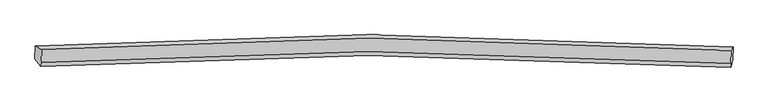
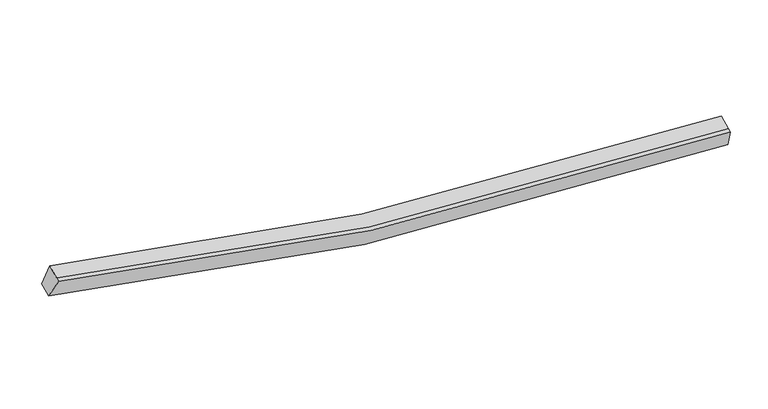
"""IFC4 building model written with IfcOpenShell, lengths in millimetres: proxy geometry."""

from ifc_helpers import new_model, si_unit, frame, origin, place, context, project, spatial, source, transform, mapped, element, save
from ifc_brep_helpers import plane_surface, spline_curve, spline_surface, advanced_brep


def generic_models_403fca40(model_context):
    return source(origin(), model_context, "Body", "AdvancedBrep", [
        advanced_brep(
        [(-11368.0628847, -1858.5916573, 4529.6370436), (-11152.3341766, -1968.107076, 5205.1269645), (12519.681994, -2000.8731521, 2513.21581), (12581.3445359, -1891.6543063, 1806.7541264), (-11172.7691882, -2416.186793, 5026.3962532), (12499.2469823, -2448.9528691, 2334.4850986), (-11178.905913, -2550.7471229, 4972.7226264), (12493.1102575, -2583.5131991, 2280.8114718), (-11387.9671373, -2295.033389, 4355.5485093), (12561.4402833, -2328.096038, 1632.6655921)],
        [
            (0, 1),
            (1, 2, spline_curve(3, [(-11152.3341766, -1968.107076, 5205.1269645), (-7441.636207221, -1714.518178611, 4162.596073873), (-3696.678649537, -1584.989361473, 3413.618031982), (4187.826534679, -1573.58004463, 2463.473548872), (8333.541034959, -1714.030887126, 2315.147874507), (12519.681994, -2000.8731521, 2513.21581)], [4, 2, 4], [0.0, 37.83051983541401, 78.92505735724643])),
            (2, 3),
            (3, 0, spline_curve(3, [(12581.3445359, -1891.6543063, 1806.7541264), (8345.317035631, -1601.127431121, 1605.152567512), (4150.623381335, -1458.88367289, 1754.583371975), (-3826.207135317, -1470.482701893, 2715.75939451), (-7614.649288758, -1601.705577904, 3473.956230231), (-11368.0628847, -1858.5916573, 4529.6370436)], [4, 2, 4], [0.0, 41.09453752183242, 78.92505735724643])),
            (1, 4),
            (4, 5, spline_curve(3, [(-11172.7691882, -2416.186793, 5026.3962532), (-7462.477632492, -2171.509376812, 3980.310737908), (-3717.731688116, -2046.620570827, 3229.481880754), (4166.738432573, -2035.980135262, 2279.030705569), (8312.664543507, -2171.790967262, 2132.555844954), (12499.2469823, -2448.9528691, 2334.4850986)], [4, 2, 4], [0.0, 37.60994275496007, 78.46487180330054])),
            (5, 2),
            (4, 6),
            (6, 7, spline_curve(3, [(-11178.905913, -2550.7471229, 4972.7226264), (-7468.614357802, -2306.069706868, 3926.637112172), (-3723.868412807, -2181.180900718, 3175.80825399), (4160.601707656, -2170.54046538, 2225.357078938), (8306.527818751, -2306.351296383, 2078.88221761), (12493.1102575, -2583.5131991, 2280.8114718)], [4, 2, 4], [0.0, 37.60993271049992, 78.46485084774409])),
            (7, 5),
            (6, 8),
            (8, 9, spline_curve(3, [(-11387.9671373, -2295.033389, 4355.5485093), (-7634.959956198, -2047.058789592, 3296.313071299), (-3846.729414084, -1920.475925575, 2536.265421546), (4130.066037556, -1909.645778627, 1574.782704509), (8324.971303211, -2047.249524971, 1427.202715877), (12561.4402833, -2328.096038, 1632.6655921)], [4, 2, 4], [0.0, 37.83048514371973, 78.92498498065808])),
            (9, 7),
            (8, 0),
            (3, 9),
        ],
        [
            spline_surface(3, 3, [[(-11368.0628847, -1858.5916573, 4529.6370436), (-7614.649288719, -1601.705577392, 3473.956230027), (-3826.2071356, -1470.482702184, 2715.759394968), (4150.623381643, -1458.883672574, 1754.583371478), (8345.317035399, -1601.127430823, 1605.152567462), (12581.3445359, -1891.6543063, 1806.7541264)], [(-11296.153315342, -1895.096796861, 4754.800350577), (-7556.978261373, -1639.309777977, 3703.502844823), (-3783.030973743, -1508.651588784, 2948.378940492), (4163.024432817, -1497.115796419, 1990.880097423), (8341.391702061, -1638.761916119, 1841.817669637), (12560.790355255, -1928.060588258, 2042.24135425)], [(-11224.243745958, -1931.601936439, 4979.963657523), (-7499.307234003, -1676.913978579, 3933.049459588), (-3739.854811863, -1546.820475367, 3180.998486035), (4175.425484014, -1535.347920247, 2227.176823386), (8337.466368757, -1676.396401342, 2078.482771861), (12540.236174645, -1964.466870142, 2277.72858215)], [(-11152.3341766, -1968.107076, 5205.1269645), (-7441.636206657, -1714.518179164, 4162.596074385), (-3696.678650006, -1584.989361967, 3413.618031559), (4187.826535189, -1573.580044093, 2463.473549331), (8333.541035419, -1714.030886639, 2315.147874036), (12519.681994, -2000.8731521, 2513.21581)]], [4, 4], [4, 2, 4], [0.0, 2.3540044560606046], [0.0, 37.83051983541401, 78.92505735724643]),
            spline_surface(3, 3, [[(-11152.3341766, -1968.107076, 5205.1269645), (-7441.636206657, -1714.518179164, 4162.596074385), (-3696.678650006, -1584.989361967, 3413.618031559), (4187.826535189, -1573.580044093, 2463.473549331), (8333.541035419, -1714.030886639, 2315.147874036), (12519.681994, -2000.8731521, 2513.21581)], [(-11159.145847149, -2117.466981657, 5145.55006072), (-7448.583348789, -1866.848578276, 4101.834295708), (-3703.696329205, -1738.866431538, 3352.239314644), (4180.797167501, -1727.713407873, 2401.992601397), (8326.582204798, -1866.617579959, 2254.28386434), (12512.870323451, -2150.233057757, 2453.63890622)], [(-11165.957517651, -2266.826887343, 5085.97315698), (-7455.530490873, -2019.178977415, 4041.072517072), (-3710.714008456, -1892.743501103, 3290.860597718), (4173.76779976, -1881.846771648, 2340.511653451), (8319.623374124, -2019.204273308, 2193.419854584), (12506.058652849, -2299.592963443, 2394.06200238)], [(-11172.7691882, -2416.186793, 5026.3962532), (-7462.477633004, -2171.509376527, 3980.310738396), (-3717.731687654, -2046.620570674, 3229.481880803), (4166.738432072, -2035.980135428, 2279.030705516), (8312.664543503, -2171.790966629, 2132.555844888), (12499.2469823, -2448.9528691, 2334.4850986)]], [4, 4], [4, 2, 4], [0.0, 1.6334285998449554], [0.0, 37.60994275496007, 78.46487180330054]),
            spline_surface(3, 3, [[(-11172.7691882, -2416.186793, 5026.3962532), (-7462.477633004, -2171.509376527, 3980.310738396), (-3717.731687654, -2046.620570674, 3229.481880803), (4166.738432072, -2035.980135428, 2279.030705516), (8312.664543503, -2171.790966629, 2132.555844888), (12499.2469823, -2448.9528691, 2334.4850986)], [(-11174.814763132, -2461.040236319, 5008.505044277), (-7464.523207937, -2216.362819846, 3962.419529473), (-3719.777262586, -2091.474013993, 3211.59067188), (4164.69285714, -2080.833578747, 2261.139496593), (8310.61896857, -2216.644409948, 2114.664635965), (12497.201407368, -2493.806312419, 2316.593889677)], [(-11176.860338068, -2505.893679581, 4990.613835323), (-7466.568782872, -2261.216263108, 3944.528320519), (-3721.822837522, -2136.327457355, 3193.699463026), (4162.647282204, -2125.687022109, 2243.248287739), (8308.573393635, -2261.49785331, 2096.773427011), (12495.155832432, -2538.659755781, 2298.702680723)], [(-11178.905913, -2550.7471229, 4972.7226264), (-7468.614357804, -2306.069706427, 3926.637111596), (-3723.868412454, -2181.180900674, 3175.808254103), (4160.601707272, -2170.540465428, 2225.357078816), (8306.527818703, -2306.351296629, 2078.882218088), (12493.1102575, -2583.5131991, 2280.8114718)]], [4, 4], [4, 2, 4], [0.0, 0.47572178477690424], [0.0, 37.60993271049992, 78.46485084774409]),
            spline_surface(3, 3, [[(-11178.905913, -2550.7471229, 4972.7226264), (-7468.614357804, -2306.069706427, 3926.637111596), (-3723.868412454, -2181.180900674, 3175.808254103), (4160.601707272, -2170.540465428, 2225.357078816), (8306.527818703, -2306.351296629, 2078.882218088), (12493.1102575, -2583.5131991, 2280.8114718)], [(-11248.592987743, -2465.509211593, 4766.997920703), (-7524.062890535, -2219.732734096, 3716.52909808), (-3764.822079696, -2094.279242328, 2962.627309859), (4150.423150713, -2083.575569836, 2008.498954151), (8312.675646656, -2219.984039587, 1861.655717193), (12515.88693276, -2498.374145396, 2064.76284523)], [(-11318.280062557, -2380.271300307, 4561.273214997), (-7579.511423336, -2133.395761785, 3506.421084555), (-3805.775746906, -2007.377583937, 2749.446365556), (4140.244594185, -1996.6106742, 1791.640829428), (8318.823474629, -2133.616782556, 1644.42921631), (12538.66360804, -2413.235091704, 1848.71421867)], [(-11387.9671373, -2295.033389, 4355.5485093), (-7634.959956066, -2047.058789454, 3296.313071039), (-3846.729414148, -1920.475925591, 2536.265421312), (4130.066037626, -1909.645778609, 1574.782704763), (8324.971302582, -2047.249525514, 1427.202715415), (12561.4402833, -2328.096038, 1632.6655921)]], [4, 4], [4, 2, 4], [0.0, 2.2965596064315608], [0.0, 37.83048514371973, 78.92498498065808]),
            spline_surface(3, 3, [[(-11387.9671373, -2295.033389, 4355.5485093), (-7634.959956066, -2047.058789454, 3296.313071039), (-3846.729414148, -1920.475925591, 2536.265421312), (4130.066037626, -1909.645778609, 1574.782704763), (8324.971302582, -2047.249525514, 1427.202715415), (12561.4402833, -2328.096038, 1632.6655921)], [(-11381.332386434, -2149.55281177, 4413.578020723), (-7628.189733618, -1898.60771877, 3355.527457358), (-3839.888654632, -1770.478184447, 2596.09674587), (4136.918485631, -1759.391743256, 1634.716260341), (8331.753213521, -1898.54216062, 1486.519332754), (12568.075034166, -2182.61546077, 1690.695103523)], [(-11374.697635566, -2004.07223453, 4471.607532177), (-7621.419511168, -1750.156648076, 3414.741843708), (-3833.047895115, -1620.480443328, 2655.92807041), (4143.770933638, -1609.137707927, 1694.6498159), (8338.535124461, -1749.834795717, 1545.835950123), (12574.709785034, -2037.13488353, 1748.724614977)], [(-11368.0628847, -1858.5916573, 4529.6370436), (-7614.649288719, -1601.705577392, 3473.956230027), (-3826.2071356, -1470.482702184, 2715.759394968), (4150.623381643, -1458.883672574, 1754.583371478), (8345.317035399, -1601.127430823, 1605.152567462), (12581.3445359, -1891.6543063, 1806.7541264)]], [4, 4], [4, 2, 4], [0.0, 1.5922839093499157], [0.0, 38.051047708319025, 79.38514025046659]),
            plane_surface(frame((12538.8942677, -2201.0341739, 2058.3617501), z_axis=(0.9943240276880158, -0.07532032702182717, 0.07514370432449571), x_axis=(0.09761432254349971, 0.36488165873010436, -0.9259226853019324))),
            plane_surface(frame((-11271.8175279, -2168.1198113, 4765.758786), z_axis=(-0.9534210477953355, -0.07323789569342798, 0.2926166711847484), x_axis=(-0.04232223997682863, -0.9280022755681662, -0.37016294323398874))),
        ],
        [
            (0, [[1, 2, 3, 4]]),
            (1, [[5, 6, 7, -2]]),
            (2, [[8, 9, 10, -6]]),
            (3, [[11, 12, 13, -9]]),
            (4, [[14, -4, 15, -12]]),
            (5, [[-13, -15, -3, -7, -10]]),
            (6, [[-14, -11, -8, -5, -1]]),
        ],
    ),
    ])


if __name__ == "__main__":
    model = new_model("IFC4")
    model_context = context("Model", 3, world=origin())
    ifc_project = project(units=[si_unit("LENGTHUNIT", "METRE", prefix="MILLI")], contexts=[model_context])
    site = spatial("IfcSite", under=ifc_project)
    building = spatial("IfcBuilding", under=site)
    placement = place(None, origin())
    generic_models_shape = generic_models_403fca40(model_context)
    element("IfcBuildingElementProxy", 1, Name="Generic Models", at=placement, inside=building, context=model_context, shape_type="MappedRepresentation", body=[
        mapped(generic_models_shape, transform((0.0, 0.0, 0.0), x_axis=(1.0, 0.0, 0.0), y_axis=(0.0, 1.0, 0.0), z_axis=(0.0, 0.0, 1.0))),
    ])
    save(model, "model.ifc")
